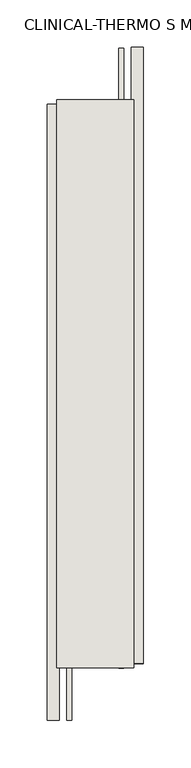
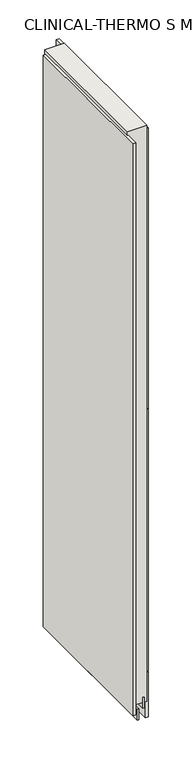
"""IFC4 building model written with IfcOpenShell, lengths in millimetres: wall geometry, CLINICAL-THERMO S MONO : CLINICAL-THERMO S MONO."""

from ifc_helpers import new_model, si_unit, frame, origin, place, context, project, spatial, polyline, outline, extrude, source, transform, mapped, element, save


def clinical_thermo_s_mono_clinical_thermo_s_mono_77d879db(model_context):
    return source(origin(), model_context, "Body", "SweptSolid", [
        extrude(outline(polyline([(84662.2605202, -50869.4047634), (84662.2605202, -50871.9447634), (84659.7205202, -50871.9447634), (84659.7205202, -50869.4047634), (84662.2605202, -50869.4047634)])), frame((0.0, 0.0, 4419.6), z_axis=(0.0, 0.0, 1.0), x_axis=(1.0, 0.0, 0.0)), (0.0, 0.0, 1.0), 2.54),
        extrude(outline(polyline([(84610.1905202, -51525.770456), (84610.1905202, -50873.8706676), (84622.8905202, -50873.8706676), (84622.8905202, -51525.770456), (84610.1905202, -51525.770456)])), frame((0.0, 0.0, 4445.0), z_axis=(0.0, 0.0, 1.0), x_axis=(1.0, 0.0, 0.0)), (0.0, 0.0, 1.0), 2545.0498756),
        extrude(outline(polyline([(84711.7905202, -50813.6386824), (84711.7905202, -51465.5384708), (84699.0905202, -51465.5384708), (84699.0905202, -50813.6386824), (84711.7905202, -50813.6386824)])), frame((0.0, 0.0, 4573.9999706), z_axis=(0.0, 0.0, 1.0), x_axis=(1.0, 0.0, 0.0)), (0.0, 0.0, 1.0), 1164.400008),
        extrude(outline(polyline([(84711.7905202, -50813.6386824), (84711.7905202, -51465.5384708), (84699.0905202, -51465.5384708), (84699.0905202, -50813.6386824), (84711.7905202, -50813.6386824)])), frame((0.0, 0.0, 5742.4000722), z_axis=(0.0, 0.0, 1.0), x_axis=(1.0, 0.0, 0.0)), (0.0, 0.0, 1.0), 1247.649905),
        extrude(outline(polyline([(84711.7905202, -50813.6386824), (84711.7905202, -51465.5384708), (84699.0905202, -51465.5384708), (84699.0905202, -50813.6386824), (84711.7905202, -50813.6386824)])), frame((0.0, 0.0, 4368.1000014), z_axis=(0.0, 0.0, 1.0), x_axis=(1.0, 0.0, 0.0)), (0.0, 0.0, 1.0), 201.9000026),
        extrude(outline(polyline([(84635.9253938, -50869.3942224), (84635.9253938, -51525.2983716), (84630.8218226, -51525.2983716), (84630.8218226, -50869.3942224), (84635.9253938, -50869.3942224)])), frame((0.0, 0.0, 4418.6602), z_axis=(0.0, 0.0, 1.0), x_axis=(1.0, 0.0, 0.0)), (0.0, 0.0, 1.0), 47.625),
        extrude(outline(polyline([(84635.9253938, -50869.3942224), (84635.9253938, -51525.2983716), (84630.8218226, -51525.2983716), (84630.8218226, -50869.3942224), (84635.9253938, -50869.3942224)])), frame((0.0, 0.0, 4418.6602), z_axis=(0.0, 0.0, 1.0), x_axis=(1.0, 0.0, 0.0)), (0.0, 0.0, 1.0), 47.625),
        extrude(outline(polyline([(84686.0618696, -51470.0025208), (84686.0618696, -50814.0983716), (84691.1468226, -50814.0983716), (84691.1468226, -51470.0025208), (84686.0618696, -51470.0025208)])), frame((0.0, 0.0, 4418.6602), z_axis=(0.0, 0.0, 1.0), x_axis=(1.0, 0.0, 0.0)), (0.0, 0.0, 1.0), 47.625),
        extrude(outline(polyline([(84686.0618696, -51470.0025208), (84686.0618696, -50814.0983716), (84691.1468226, -50814.0983716), (84691.1468226, -51470.0025208), (84686.0618696, -51470.0025208)])), frame((0.0, 0.0, 4418.6602), z_axis=(0.0, 0.0, 1.0), x_axis=(1.0, 0.0, 0.0)), (0.0, 0.0, 1.0), 47.625),
        extrude(outline(polyline([(84620.354254, -50869.3942224), (84701.6330094, -50869.3942224), (84701.6330094, -51470.0025208), (84620.354254, -51470.0025208), (84620.354254, -50869.3942224)])), frame((0.0, 0.0, 4445.0), z_axis=(0.0, 0.0, 1.0), x_axis=(1.0, 0.0, 0.0)), (0.0, 0.0, 1.0), 2562.4536762),
    ])


if __name__ == "__main__":
    model = new_model("IFC4")
    model_context = context("Model", 3, world=origin())
    ifc_project = project(units=[si_unit("LENGTHUNIT", "METRE", prefix="MILLI")], contexts=[model_context])
    site = spatial("IfcSite", under=ifc_project)
    building = spatial("IfcBuilding", under=site)
    placement = place(None, origin())
    clinical_thermo_s_mono_clinical_thermo_s_mono_shape = clinical_thermo_s_mono_clinical_thermo_s_mono_77d879db(model_context)
    element("IfcWall", 1, ObjectType="CLINICAL-THERMO S MONO : CLINICAL-THERMO S MONO", at=placement, inside=building, context=model_context, shape_type="MappedRepresentation", body=[
        mapped(clinical_thermo_s_mono_clinical_thermo_s_mono_shape, transform((0.0, 0.0, 0.0), x_axis=(1.0, 0.0, 0.0), y_axis=(0.0, 1.0, 0.0), z_axis=(0.0, 0.0, 1.0))),
    ])
    save(model, "model.ifc")
